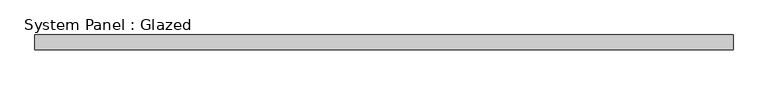
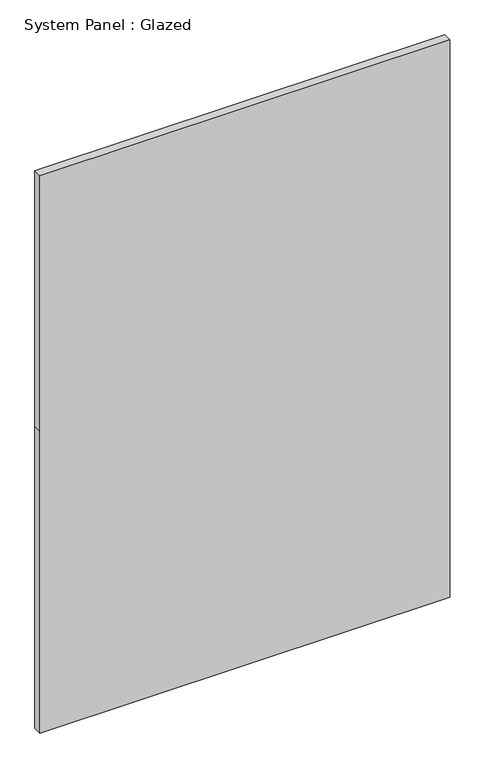
"""IFC4 building model written with IfcOpenShell, lengths in millimetres: plate geometry, System Panel : Glazed."""

from ifc_helpers import new_model, si_unit, frame, origin, place, context, project, spatial, polyline, outline, extrude, source, transform, mapped, element, save


def system_panel_glazed_32332dad(model_context):
    return source(origin(), model_context, "Body", "SweptSolid", [
        extrude(outline(polyline([(0.0, -587.5), (0.0, 587.5), (915.0, 587.5), (1690.0, 587.5), (1690.0, -587.5), (915.0, -587.5), (0.0, -587.5)])), frame((0.0, -49.5, 0.0), z_axis=(0.0, 1.0, 0.0), x_axis=(0.0, 0.0, 1.0)), (0.0, 0.0, 1.0), 25.0),
    ])


if __name__ == "__main__":
    model = new_model("IFC4")
    model_context = context("Model", 3, world=origin())
    ifc_project = project(units=[si_unit("LENGTHUNIT", "METRE", prefix="MILLI")], contexts=[model_context])
    site = spatial("IfcSite", under=ifc_project)
    building = spatial("IfcBuilding", under=site)
    placement = place(None, origin())
    system_panel_glazed_shape = system_panel_glazed_32332dad(model_context)
    element("IfcPlate", 1, ObjectType="System Panel : Glazed", at=placement, inside=building, context=model_context, shape_type="MappedRepresentation", body=[
        mapped(system_panel_glazed_shape, transform((0.0, 0.0, 0.0), x_axis=(1.0, 0.0, 0.0), y_axis=(0.0, 1.0, 0.0), z_axis=(0.0, 0.0, 1.0))),
    ])
    save(model, "model.ifc")
